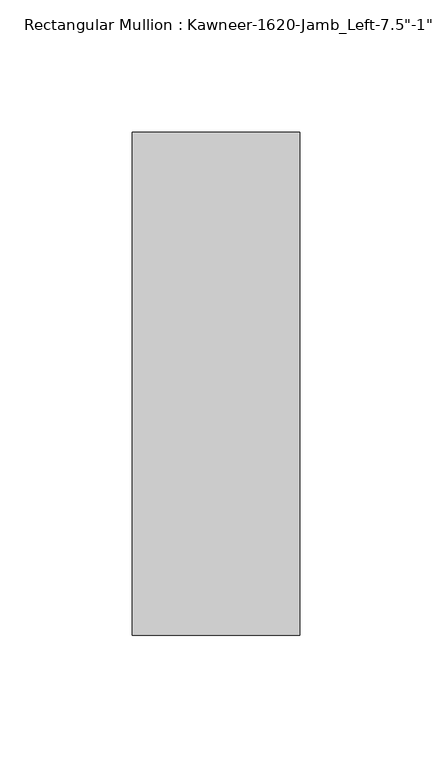
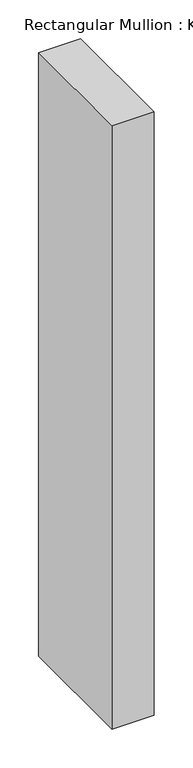
"""IFC4 building model written with IfcOpenShell, lengths in millimetres: member geometry."""

from ifc_helpers import new_model, si_unit, frame, origin, place, context, project, spatial, polyline, outline, extrude, source, transform, mapped, element, save


def member_f5d1b0f5(model_context):
    return source(origin(), model_context, "Body", "SweptSolid", [
        extrude(outline(polyline([(-63.5, 38.1), (0.0, 38.1), (0.0, -152.4), (-63.5, -152.4), (-63.5, 38.1)])), frame((0.0, 0.0, -955.675), z_axis=(0.0, 0.0, 1.0), x_axis=(1.0, 0.0, 0.0)), (0.0, 0.0, 1.0), 955.675),
    ])


if __name__ == "__main__":
    model = new_model("IFC4")
    model_context = context("Model", 3, world=origin())
    ifc_project = project(units=[si_unit("LENGTHUNIT", "METRE", prefix="MILLI")], contexts=[model_context])
    site = spatial("IfcSite", under=ifc_project)
    building = spatial("IfcBuilding", under=site)
    placement = place(None, origin())
    member_shape = member_f5d1b0f5(model_context)
    element("IfcMember", 1, ObjectType="Rectangular Mullion : Kawneer-1620-Jamb_Left-7.5\"-1\"Infill", at=placement, inside=building, context=model_context, shape_type="MappedRepresentation", body=[
        mapped(member_shape, transform((0.0, 0.0, 0.0), x_axis=(1.0, 0.0, 0.0), y_axis=(0.0, 1.0, 0.0), z_axis=(0.0, 0.0, 1.0))),
    ])
    save(model, "model.ifc")
